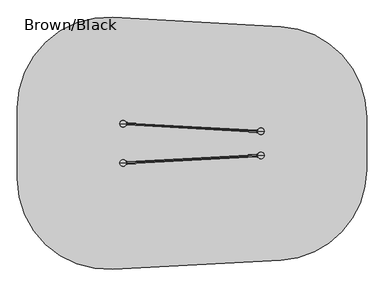
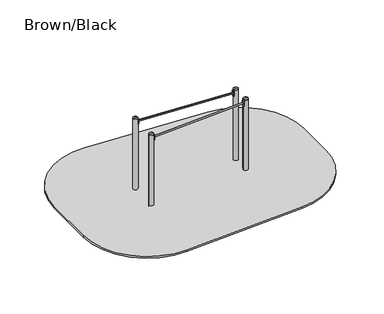
"""IFC4 building model written with IfcOpenShell, lengths in millimetres: furniture geometry, Brown/Black."""

from ifc_helpers import new_model, si_unit, point, frame, frame_2d, origin, place, context, project, spatial, polyline, circle_curve, ellipse_curve, trimmed, segment, composite_curve, outline, extrude, source, transform, mapped, element, save
from ifc_brep_helpers import plane_surface, cylinder_surface, revolved_surface, extruded_surface, advanced_brep


def brown_black_edfa2433(model_context):
    return source(origin(), model_context, "Body", "SolidModel", [
        extrude(outline(composite_curve([segment(trimmed(circle_curve(frame_2d((1693.7224634, 297.1088305)), 1.0), [point((1694.5317711, 297.6962155))], [point((1693.4322598, 296.1518656))], False, "CARTESIAN"), True, "CONTINUOUS"), segment(polyline([(1693.4322598, 296.1518656), (1676.4479605, 301.3024251)]), True, "CONTINUOUS"), segment(trimmed(circle_curve(frame_2d((1676.7381641, 302.25939)), 1.0), [point((1676.4479605, 301.3024251))], [point((1675.7396558, 302.2047909))], False, "CARTESIAN"), True, "CONTINUOUS"), segment(polyline([(1675.7396558, 302.2047909), (1673.0861621, 350.7318826)]), True, "CONTINUOUS"), segment(trimmed(circle_curve(frame_2d((1674.0846705, 350.7864817)), 1.0), [point((1673.0861621, 350.7318826))], [point((1673.6918541, 351.7060987))], False, "CARTESIAN"), True, "CONTINUOUS"), segment(polyline([(1673.6918541, 351.7060987), (1690.0132981, 358.6778383)]), True, "CONTINUOUS"), segment(trimmed(circle_curve(frame_2d((1690.4061144, 357.7582214)), 1.0), [point((1690.0132981, 358.6778383))], [point((1691.2746426, 357.2625816))], False, "CARTESIAN"), True, "CONTINUOUS"), segment(trimmed(circle_curve(frame_2d((1739.0436912, 330.0023909)), 55.0), [point((1691.2746426, 357.2625816))], [point((1694.5317711, 297.6962155))], True, "CARTESIAN"), True, "CONTINUOUS")], self_intersect=False)), frame((0.0, 0.0, 1600.0), z_axis=(0.0, 0.0, 1.0), x_axis=(1.0, 0.0, 0.0)), (0.0, 0.0, 1.0), 120.0),
        extrude(outline(composite_curve([segment(trimmed(circle_curve(frame_2d((1690.3242462, 702.2462589)), 1.0), [point((1691.1927744, 702.7418988))], [point((1689.9314299, 701.326642))], False, "CARTESIAN"), True, "CONTINUOUS"), segment(polyline([(1689.9314299, 701.326642), (1673.6099859, 708.2983817)]), True, "CONTINUOUS"), segment(trimmed(circle_curve(frame_2d((1674.0028023, 709.2179986)), 1.0), [point((1673.6099859, 708.2983817))], [point((1673.0042939, 709.2725977))], False, "CARTESIAN"), True, "CONTINUOUS"), segment(polyline([(1673.0042939, 709.2725977), (1675.6577875, 757.7996894)]), True, "CONTINUOUS"), segment(trimmed(circle_curve(frame_2d((1676.6562959, 757.7450903)), 1.0), [point((1675.6577875, 757.7996894))], [point((1676.3660923, 758.7020552))], False, "CARTESIAN"), True, "CONTINUOUS"), segment(polyline([(1676.3660923, 758.7020552), (1693.3503916, 763.8526147)]), True, "CONTINUOUS"), segment(trimmed(circle_curve(frame_2d((1693.6405952, 762.8956498)), 1.0), [point((1693.3503916, 763.8526147))], [point((1694.4499029, 762.3082648))], False, "CARTESIAN"), True, "CONTINUOUS"), segment(trimmed(circle_curve(frame_2d((1738.961823, 730.0020894)), 55.0), [point((1694.4499029, 762.3082648))], [point((1691.1927744, 702.7418988))], True, "CARTESIAN"), True, "CONTINUOUS")], self_intersect=False)), frame((0.0, 0.0, 1600.0), z_axis=(0.0, 0.0, 1.0), x_axis=(1.0, 0.0, 0.0)), (0.0, 0.0, 1.0), 120.0),
        extrude(outline(composite_curve([segment(trimmed(circle_curve(frame_2d((-501.7205511, 237.891274)), 1.0), [point((-502.5298588, 237.303889))], [point((-501.4303475, 238.848239))], False, "CARTESIAN"), True, "CONTINUOUS"), segment(polyline([(-501.4303475, 238.848239), (-484.4460482, 233.6976795)]), True, "CONTINUOUS"), segment(trimmed(circle_curve(frame_2d((-484.7362518, 232.7407145)), 1.0), [point((-484.4460482, 233.6976795))], [point((-483.7377434, 232.7953136))], False, "CARTESIAN"), True, "CONTINUOUS"), segment(polyline([(-483.7377434, 232.7953136), (-481.0842498, 184.268222)]), True, "CONTINUOUS"), segment(trimmed(circle_curve(frame_2d((-482.0827581, 184.2136229)), 1.0), [point((-481.0842498, 184.268222))], [point((-481.6899418, 183.2940059))], False, "CARTESIAN"), True, "CONTINUOUS"), segment(polyline([(-481.6899418, 183.2940059), (-498.0113858, 176.3222662)]), True, "CONTINUOUS"), segment(trimmed(circle_curve(frame_2d((-498.4042021, 177.2418832)), 1.0), [point((-498.0113858, 176.3222662))], [point((-499.2727303, 177.737523))], False, "CARTESIAN"), True, "CONTINUOUS"), segment(trimmed(circle_curve(frame_2d((-547.0417789, 204.9977136)), 55.0), [point((-499.2727303, 177.737523))], [point((-502.5298588, 237.303889))], True, "CARTESIAN"), True, "CONTINUOUS")], self_intersect=False)), frame((0.0, 0.0, 1595.0), z_axis=(0.0, 0.0, 1.0), x_axis=(1.0, 0.0, 0.0)), (0.0, 0.0, 1.0), 120.0),
        extrude(outline(composite_curve([segment(trimmed(circle_curve(frame_2d((-498.3701462, 882.7562509)), 1.0), [point((-499.2386744, 882.2606111))], [point((-497.9773299, 883.6758679))], False, "CARTESIAN"), True, "CONTINUOUS"), segment(polyline([(-497.9773299, 883.6758679), (-481.6558859, 876.7041282)]), True, "CONTINUOUS"), segment(trimmed(circle_curve(frame_2d((-482.0487022, 875.7845112)), 1.0), [point((-481.6558859, 876.7041282))], [point((-481.0501939, 875.7299121))], False, "CARTESIAN"), True, "CONTINUOUS"), segment(polyline([(-481.0501939, 875.7299121), (-483.7036875, 827.2028205)]), True, "CONTINUOUS"), segment(trimmed(circle_curve(frame_2d((-484.7021959, 827.2574196)), 1.0), [point((-483.7036875, 827.2028205))], [point((-484.4119923, 826.3004546))], False, "CARTESIAN"), True, "CONTINUOUS"), segment(polyline([(-484.4119923, 826.3004546), (-501.3962916, 821.1498951)]), True, "CONTINUOUS"), segment(trimmed(circle_curve(frame_2d((-501.6864952, 822.1068601)), 1.0), [point((-501.3962916, 821.1498951))], [point((-502.4958029, 822.6942451))], False, "CARTESIAN"), True, "CONTINUOUS"), segment(trimmed(circle_curve(frame_2d((-547.007723, 855.0004204)), 55.0), [point((-502.4958029, 822.6942451))], [point((-499.2386744, 882.2606111))], True, "CARTESIAN"), True, "CONTINUOUS")], self_intersect=False)), frame((0.0, 0.0, 1595.0), z_axis=(0.0, 0.0, 1.0), x_axis=(1.0, 0.0, 0.0)), (0.0, 0.0, 1.0), 120.0),
        extrude(outline(composite_curve([segment(trimmed(circle_curve(frame_2d((1769.3699948, 682.9902489)), 1.0), [point((1768.8276734, 683.83042))], [point((1770.3096874, 682.6482288))], False, "CARTESIAN"), True, "CONTINUOUS"), segment(polyline([(1770.3096874, 682.6482288), (1764.2394832, 665.9704799)]), True, "CONTINUOUS"), segment(trimmed(circle_curve(frame_2d((1763.2997906, 666.3125)), 1.0), [point((1764.2394832, 665.9704799))], [point((1763.2997906, 665.3125))], False, "CARTESIAN"), True, "CONTINUOUS"), segment(polyline([(1763.2997906, 665.3125), (1714.7002057, 665.3125)]), True, "CONTINUOUS"), segment(trimmed(circle_curve(frame_2d((1714.7002057, 666.3125)), 1.0), [point((1714.7002057, 665.3125))], [point((1713.7605131, 665.9704799))], False, "CARTESIAN"), True, "CONTINUOUS"), segment(polyline([(1713.7605131, 665.9704799), (1707.6903089, 682.6482288)]), True, "CONTINUOUS"), segment(trimmed(circle_curve(frame_2d((1708.6300015, 682.9902489)), 1.0), [point((1707.6903089, 682.6482288))], [point((1709.1723229, 683.83042))], False, "CARTESIAN"), True, "CONTINUOUS"), segment(trimmed(circle_curve(frame_2d((1738.9999981, 730.0398324)), 55.0), [point((1709.1723229, 683.83042))], [point((1768.8276734, 683.83042))], True, "CARTESIAN"), True, "CONTINUOUS")], self_intersect=False)), frame((0.0, 0.0, -335.0), z_axis=(0.0, 0.0, 1.0), x_axis=(1.0, 0.0, 0.0)), (0.0, 0.0, 1.0), 120.0),
        extrude(outline(composite_curve([segment(trimmed(circle_curve(frame_2d((1708.6300052, 377.0683449)), 1.0), [point((1709.1723266, 376.2281737))], [point((1707.6903126, 377.410365))], False, "CARTESIAN"), True, "CONTINUOUS"), segment(polyline([(1707.6903126, 377.410365), (1713.7605168, 394.0881139)]), True, "CONTINUOUS"), segment(trimmed(circle_curve(frame_2d((1714.7002094, 393.7460937)), 1.0), [point((1713.7605168, 394.0881139))], [point((1714.7002094, 394.7460937))], False, "CARTESIAN"), True, "CONTINUOUS"), segment(polyline([(1714.7002094, 394.7460937), (1763.2997943, 394.7460937)]), True, "CONTINUOUS"), segment(trimmed(circle_curve(frame_2d((1763.2997943, 393.7460937)), 1.0), [point((1763.2997943, 394.7460937))], [point((1764.2394869, 394.0881139))], False, "CARTESIAN"), True, "CONTINUOUS"), segment(polyline([(1764.2394869, 394.0881139), (1770.3096911, 377.410365)]), True, "CONTINUOUS"), segment(trimmed(circle_curve(frame_2d((1769.3699985, 377.0683449)), 1.0), [point((1770.3096911, 377.410365))], [point((1768.8276771, 376.2281737))], False, "CARTESIAN"), True, "CONTINUOUS"), segment(trimmed(circle_curve(frame_2d((1739.0000019, 330.0187614)), 55.0), [point((1768.8276771, 376.2281737))], [point((1709.1723266, 376.2281737))], True, "CARTESIAN"), True, "CONTINUOUS")], self_intersect=False)), frame((0.0, 0.0, -335.0), z_axis=(0.0, 0.0, 1.0), x_axis=(1.0, 0.0, 0.0)), (0.0, 0.0, 1.0), 120.0),
        extrude(outline(composite_curve([segment(trimmed(circle_curve(frame_2d((-516.6300052, 807.9902489)), 1.0), [point((-517.1723266, 808.83042))], [point((-515.6903126, 807.6482288))], False, "CARTESIAN"), True, "CONTINUOUS"), segment(polyline([(-515.6903126, 807.6482288), (-521.7605168, 790.9704799)]), True, "CONTINUOUS"), segment(trimmed(circle_curve(frame_2d((-522.7002094, 791.3125)), 1.0), [point((-521.7605168, 790.9704799))], [point((-522.7002094, 790.3125))], False, "CARTESIAN"), True, "CONTINUOUS"), segment(polyline([(-522.7002094, 790.3125), (-571.2997943, 790.3125)]), True, "CONTINUOUS"), segment(trimmed(circle_curve(frame_2d((-571.2997943, 791.3125)), 1.0), [point((-571.2997943, 790.3125))], [point((-572.2394869, 790.9704799))], False, "CARTESIAN"), True, "CONTINUOUS"), segment(polyline([(-572.2394869, 790.9704799), (-578.3096911, 807.6482288)]), True, "CONTINUOUS"), segment(trimmed(circle_curve(frame_2d((-577.3699985, 807.9902489)), 1.0), [point((-578.3096911, 807.6482288))], [point((-576.8276771, 808.83042))], False, "CARTESIAN"), True, "CONTINUOUS"), segment(trimmed(circle_curve(frame_2d((-547.0000019, 855.0398324)), 55.0), [point((-576.8276771, 808.83042))], [point((-517.1723266, 808.83042))], True, "CARTESIAN"), True, "CONTINUOUS")], self_intersect=False)), frame((0.0, 0.0, -335.0), z_axis=(0.0, 0.0, 1.0), x_axis=(1.0, 0.0, 0.0)), (0.0, 0.0, 1.0), 120.0),
        extrude(outline(composite_curve([segment(trimmed(circle_curve(frame_2d((-577.3699948, 252.0740781)), 1.0), [point((-576.8276734, 251.233907))], [point((-578.3096874, 252.4160982))], False, "CARTESIAN"), True, "CONTINUOUS"), segment(polyline([(-578.3096874, 252.4160982), (-572.2394832, 269.0938471)]), True, "CONTINUOUS"), segment(trimmed(circle_curve(frame_2d((-571.2997906, 268.751827)), 1.0), [point((-572.2394832, 269.0938471))], [point((-571.2997906, 269.751827))], False, "CARTESIAN"), True, "CONTINUOUS"), segment(polyline([(-571.2997906, 269.751827), (-522.7002057, 269.751827)]), True, "CONTINUOUS"), segment(trimmed(circle_curve(frame_2d((-522.7002057, 268.751827)), 1.0), [point((-522.7002057, 269.751827))], [point((-521.7605131, 269.0938471))], False, "CARTESIAN"), True, "CONTINUOUS"), segment(polyline([(-521.7605131, 269.0938471), (-515.6903089, 252.4160982)]), True, "CONTINUOUS"), segment(trimmed(circle_curve(frame_2d((-516.6300015, 252.0740781)), 1.0), [point((-515.6903089, 252.4160982))], [point((-517.1723229, 251.233907))], False, "CARTESIAN"), True, "CONTINUOUS"), segment(trimmed(circle_curve(frame_2d((-546.9999981, 205.0244946)), 55.0), [point((-517.1723229, 251.233907))], [point((-576.8276734, 251.233907))], True, "CARTESIAN"), True, "CONTINUOUS")], self_intersect=False)), frame((0.0, 0.0, -335.0), z_axis=(0.0, 0.0, 1.0), x_axis=(1.0, 0.0, 0.0)), (0.0, 0.0, 1.0), 120.0),
        advanced_brep(
        [(1794.0, 730.0, 1750.0), (1684.0, 730.0, 1750.0), (1739.0, 730.0, 1762.0246565), (1739.0, 730.0, 1750.0)],
        [
            (0, 1, circle_curve(frame((1739.0, 730.0, 1750.0), z_axis=(0.0, 0.0, 1.0), x_axis=(-1.0, 0.0, 0.0)), 55.0)),
            (1, 2, circle_curve(frame((1734.4549856, 730.0, 1651.0177111), z_axis=(0.0, 1.0, 0.0), x_axis=(-1.0, 0.0, 0.0)), 111.0999509)),
            (2, 0, circle_curve(frame((1743.5450144, 730.0, 1651.0177111), z_axis=(0.0, 1.0, 0.0), x_axis=(1.0, 0.0, 0.0)), 111.0999509)),
            (1, 0, circle_curve(frame((1739.0, 730.0, 1750.0), z_axis=(0.0, 0.0, 1.0), x_axis=(-1.0, 0.0, 0.0)), 55.0)),
            (3, 1),
            (0, 3),
        ],
        [
            revolved_surface(trimmed(ellipse_curve(frame((1734.4549856, 730.0, 1651.0177111), z_axis=(0.0, -1.0, 0.0), x_axis=(-1.0, 0.0, 0.0)), 111.0999509, 111.0999509), [point((1739.0, 730.0, 1762.0246565))], [point((1684.0, 730.0, 1750.0))], True, "CARTESIAN"), (1739.0, 730.0, 1369.0), (0.0, 0.0, -1.0)),
            plane_surface(frame((1739.0, 730.0, 1750.0), z_axis=(0.0, 0.0, -1.0), x_axis=(-1.0, 0.0, 0.0))),
        ],
        [
            (0, [[1, 2, 3]]),
            (0, [[4, -3, -2]]),
            (1, [[5, -1, 6]]),
            (1, [[-6, -4, -5]]),
        ],
    ),
        advanced_brep(
        [(-534.5, 927.4599432, -225.0), (-547.0, 927.4599432, -225.0), (-559.5, 927.4599432, -225.0), (-619.5, 867.4599432, -225.0), (-619.5, 842.4599432, -225.0), (-559.5, 782.4599432, -225.0), (-534.5, 782.4599432, -225.0), (-474.5, 842.4599432, -225.0), (-474.5, 867.4599432, -225.0), (-457.0, 1005.0, -460.0), (-547.0, 1005.0, -460.0), (-637.0, 1005.0, -460.0), (-697.0, 945.0, -460.0), (-697.0, 765.0, -460.0), (-637.0, 705.0, -460.0), (-457.0, 705.0, -460.0), (-397.0, 765.0, -460.0), (-397.0, 945.0, -460.0), (-457.0, 1005.0, -600.0), (-397.0, 945.0, -600.0), (-397.0, 765.0, -600.0), (-457.0, 705.0, -600.0), (-637.0, 705.0, -600.0), (-697.0, 765.0, -600.0), (-697.0, 945.0, -600.0), (-637.0, 1005.0, -600.0), (-547.0, 1005.0, -600.0)],
        [
            (0, 1),
            (1, 2),
            (2, 3, circle_curve(frame((-559.5, 867.4599432, -225.0), z_axis=(0.0, 0.0, 1.0), x_axis=(1.0, 0.0, 0.0)), 60.0)),
            (3, 4),
            (4, 5, circle_curve(frame((-559.5, 842.4599432, -225.0), z_axis=(0.0, 0.0, 1.0), x_axis=(1.0, 0.0, 0.0)), 60.0)),
            (5, 6),
            (6, 7, circle_curve(frame((-534.5, 842.4599432, -225.0), z_axis=(0.0, 0.0, 1.0), x_axis=(1.0, 0.0, 0.0)), 60.0)),
            (7, 8),
            (8, 0, circle_curve(frame((-534.5, 867.4599432, -225.0), z_axis=(0.0, 0.0, 1.0), x_axis=(1.0, 0.0, 0.0)), 60.0)),
            (0, 9),
            (9, 10),
            (10, 1),
            (10, 11),
            (11, 2),
            (11, 12, circle_curve(frame((-637.0, 945.0, -460.0), z_axis=(0.0, 0.0, 1.0), x_axis=(1.0, 0.0, 0.0)), 60.0)),
            (12, 3),
            (12, 13),
            (13, 4),
            (13, 14, circle_curve(frame((-637.0, 765.0, -460.0), z_axis=(0.0, 0.0, 1.0), x_axis=(1.0, 0.0, 0.0)), 60.0)),
            (14, 5),
            (14, 15),
            (15, 6),
            (15, 16, circle_curve(frame((-457.0, 765.0, -460.0), z_axis=(0.0, 0.0, 1.0), x_axis=(1.0, 0.0, 0.0)), 60.0)),
            (16, 7),
            (16, 17),
            (17, 8),
            (17, 9, circle_curve(frame((-457.0, 945.0, -460.0), z_axis=(0.0, 0.0, 1.0), x_axis=(1.0, 0.0, 0.0)), 60.0)),
            (18, 19, circle_curve(frame((-457.0, 945.0, -600.0), z_axis=(0.0, 0.0, -1.0), x_axis=(1.0, 0.0, 0.0)), 60.0)),
            (19, 20),
            (20, 21, circle_curve(frame((-457.0, 765.0, -600.0), z_axis=(0.0, 0.0, -1.0), x_axis=(1.0, 0.0, 0.0)), 60.0)),
            (21, 22),
            (22, 23, circle_curve(frame((-637.0, 765.0, -600.0), z_axis=(0.0, 0.0, -1.0), x_axis=(1.0, 0.0, 0.0)), 60.0)),
            (23, 24),
            (24, 25, circle_curve(frame((-637.0, 945.0, -600.0), z_axis=(0.0, 0.0, -1.0), x_axis=(1.0, 0.0, 0.0)), 60.0)),
            (25, 26),
            (26, 18),
            (26, 10),
            (9, 18),
            (25, 11),
            (23, 13),
            (12, 24),
            (21, 15),
            (14, 22),
            (19, 17),
            (16, 20),
        ],
        [
            plane_surface(frame((-547.0, 863.0154988, -225.0), z_axis=(0.0, 0.0, 1.0), x_axis=(-1.0, 0.0, 0.0))),
            plane_surface(frame((-540.75, 927.4599432, -225.0), z_axis=(0.0, 0.9496406059136844, 0.3133412191204512), x_axis=(1.0, 0.0, 0.0))),
            plane_surface(frame((-553.25, 927.4599432, -225.0), z_axis=(0.0, 0.9496406059136843, 0.3133412191204512), x_axis=(1.0, 0.0, 0.0))),
            extruded_surface(trimmed(circle_curve(frame((-559.5, 867.4599432, -225.0), z_axis=(0.0, 0.0, -1.0), x_axis=(1.0, 0.0, 0.0)), 60.0), [point((-619.5, 867.4599432, -225.0))], [point((-559.5, 927.4599432, -225.0))], True, "CARTESIAN"), (-77.5, 77.5400568, -235.0), 259.3139225119763),
            plane_surface(frame((-619.5, 854.9599432, -225.0), z_axis=(-0.9496887635303409, 0.0, 0.31319523052596476), x_axis=(0.0, 1.0, 0.0))),
            extruded_surface(trimmed(circle_curve(frame((-559.5, 842.4599432, -225.0), z_axis=(0.0, 0.0, -1.0), x_axis=(1.0, 0.0, 0.0)), 60.0), [point((-559.5, 782.4599432, -225.0))], [point((-619.5, 842.4599432, -225.0))], True, "CARTESIAN"), (-77.5, -77.4599432, -235.0), 259.2899782107809),
            plane_surface(frame((-547.0, 782.4599432, -225.0), z_axis=(0.0, -0.9497369035840961, 0.3130492197250991), x_axis=(-1.0, 0.0, 0.0))),
            extruded_surface(trimmed(circle_curve(frame((-534.5, 842.4599432, -225.0), z_axis=(0.0, 0.0, -1.0), x_axis=(1.0, 0.0, 0.0)), 60.0), [point((-474.5, 842.4599432, -225.0))], [point((-534.5, 782.4599432, -225.0))], True, "CARTESIAN"), (77.5, -77.4599432, -235.0), 259.2899782107809),
            plane_surface(frame((-474.5, 854.9599432, -225.0), z_axis=(0.9496887635303416, 0.0, 0.3131952305259627), x_axis=(0.0, -1.0, 0.0))),
            extruded_surface(trimmed(circle_curve(frame((-534.5, 867.4599432, -225.0), z_axis=(0.0, 0.0, -1.0), x_axis=(1.0, 0.0, 0.0)), 60.0), [point((-534.5, 927.4599432, -225.0))], [point((-474.5, 867.4599432, -225.0))], True, "CARTESIAN"), (77.5, 77.5400568, -235.0), 259.3139225119763),
            plane_surface(frame((-547.0, 1005.0, -600.0), z_axis=(0.0, 0.0, -1.0), x_axis=(1.0, 0.0, 0.0))),
            plane_surface(frame((-457.0, 1005.0, -460.0), z_axis=(0.0, 1.0, 0.0), x_axis=(0.0, 0.0, -1.0))),
            plane_surface(frame((-547.0, 1005.0, -460.0), z_axis=(0.0, 1.0, 0.0), x_axis=(0.0, 0.0, -1.0))),
            plane_surface(frame((-697.0, 945.0, -460.0), z_axis=(-1.0, 0.0, 0.0), x_axis=(0.0, 0.0, -1.0))),
            plane_surface(frame((-637.0, 705.0, -460.0), z_axis=(0.0, -1.0, 0.0), x_axis=(0.0, 0.0, -1.0))),
            plane_surface(frame((-397.0, 765.0, -460.0), z_axis=(1.0, 0.0, 0.0), x_axis=(0.0, 0.0, -1.0))),
            cylinder_surface(frame((-637.0, 945.0, -600.0), z_axis=(0.0, 0.0, 1.0), x_axis=(1.0, 0.0, 0.0)), 60.0),
            cylinder_surface(frame((-637.0, 765.0, -600.0), z_axis=(0.0, 0.0, 1.0), x_axis=(1.0, 0.0, 0.0)), 60.0),
            cylinder_surface(frame((-457.0, 765.0, -600.0), z_axis=(0.0, 0.0, 1.0), x_axis=(1.0, 0.0, 0.0)), 60.0),
            cylinder_surface(frame((-457.0, 945.0, -600.0), z_axis=(0.0, 0.0, 1.0), x_axis=(1.0, 0.0, 0.0)), 60.0),
        ],
        [
            (0, [[1, 2, 3, 4, 5, 6, 7, 8, 9]]),
            (1, [[-1, 10, 11, 12]]),
            (2, [[-2, -12, 13, 14]]),
            (3, [[-3, -14, 15, 16]]),
            (4, [[-4, -16, 17, 18]]),
            (5, [[-5, -18, 19, 20]]),
            (6, [[-6, -20, 21, 22]]),
            (7, [[-7, -22, 23, 24]]),
            (8, [[-8, -24, 25, 26]]),
            (9, [[-9, -26, 27, -10]]),
            (10, [[28, 29, 30, 31, 32, 33, 34, 35, 36]]),
            (11, [[-36, 37, -11, 38]]),
            (12, [[-35, 39, -13, -37]]),
            (13, [[-33, 40, -17, 41]]),
            (14, [[-31, 42, -21, 43]]),
            (15, [[-29, 44, -25, 45]]),
            (16, [[-34, -41, -15, -39]]),
            (17, [[-32, -43, -19, -40]]),
            (18, [[-30, -45, -23, -42]]),
            (19, [[-28, -38, -27, -44]]),
        ],
    ),
        extrude(outline(composite_curve([segment(trimmed(circle_curve(frame_2d((-547.0, 855.0)), 55.0), [point((-602.0, 855.0))], [point((-492.0, 855.0))], False, "CARTESIAN"), True, "CONTINUOUS"), segment(trimmed(circle_curve(frame_2d((-547.0, 855.0)), 55.0), [point((-492.0, 855.0))], [point((-602.0, 855.0))], False, "CARTESIAN"), True, "CONTINUOUS")], self_intersect=False)), frame((0.0, 0.0, -600.0), z_axis=(0.0, 0.0, 1.0), x_axis=(1.0, 0.0, 0.0)), (0.0, 0.0, 1.0), 500.0),
        advanced_brep(
        [(1751.5, 802.4599432, -225.0), (1739.0, 802.4599432, -225.0), (1726.5, 802.4599432, -225.0), (1666.5, 742.4599432, -225.0), (1666.5, 717.4599432, -225.0), (1726.5, 657.4599432, -225.0), (1751.5, 657.4599432, -225.0), (1811.5, 717.4599432, -225.0), (1811.5, 742.4599432, -225.0), (1829.0, 880.0, -460.0), (1739.0, 880.0, -460.0), (1649.0, 880.0, -460.0), (1589.0, 820.0, -460.0), (1589.0, 640.0, -460.0), (1649.0, 580.0, -460.0), (1829.0, 580.0, -460.0), (1889.0, 640.0, -460.0), (1889.0, 820.0, -460.0), (1829.0, 880.0, -600.0), (1889.0, 820.0, -600.0), (1889.0, 640.0, -600.0), (1829.0, 580.0, -600.0), (1649.0, 580.0, -600.0), (1589.0, 640.0, -600.0), (1589.0, 820.0, -600.0), (1649.0, 880.0, -600.0), (1739.0, 880.0, -600.0)],
        [
            (0, 1),
            (1, 2),
            (2, 3, circle_curve(frame((1726.5, 742.4599432, -225.0), z_axis=(0.0, 0.0, 1.0), x_axis=(1.0, 0.0, 0.0)), 60.0)),
            (3, 4),
            (4, 5, circle_curve(frame((1726.5, 717.4599432, -225.0), z_axis=(0.0, 0.0, 1.0), x_axis=(1.0, 0.0, 0.0)), 60.0)),
            (5, 6),
            (6, 7, circle_curve(frame((1751.5, 717.4599432, -225.0), z_axis=(0.0, 0.0, 1.0), x_axis=(1.0, 0.0, 0.0)), 60.0)),
            (7, 8),
            (8, 0, circle_curve(frame((1751.5, 742.4599432, -225.0), z_axis=(0.0, 0.0, 1.0), x_axis=(1.0, 0.0, 0.0)), 60.0)),
            (0, 9),
            (9, 10),
            (10, 1),
            (10, 11),
            (11, 2),
            (11, 12, circle_curve(frame((1649.0, 820.0, -460.0), z_axis=(0.0, 0.0, 1.0), x_axis=(1.0, 0.0, 0.0)), 60.0)),
            (12, 3),
            (12, 13),
            (13, 4),
            (13, 14, circle_curve(frame((1649.0, 640.0, -460.0), z_axis=(0.0, 0.0, 1.0), x_axis=(1.0, 0.0, 0.0)), 60.0)),
            (14, 5),
            (14, 15),
            (15, 6),
            (15, 16, circle_curve(frame((1829.0, 640.0, -460.0), z_axis=(0.0, 0.0, 1.0), x_axis=(1.0, 0.0, 0.0)), 60.0)),
            (16, 7),
            (16, 17),
            (17, 8),
            (17, 9, circle_curve(frame((1829.0, 820.0, -460.0), z_axis=(0.0, 0.0, 1.0), x_axis=(1.0, 0.0, 0.0)), 60.0)),
            (18, 19, circle_curve(frame((1829.0, 820.0, -600.0), z_axis=(0.0, 0.0, -1.0), x_axis=(1.0, 0.0, 0.0)), 60.0)),
            (19, 20),
            (20, 21, circle_curve(frame((1829.0, 640.0, -600.0), z_axis=(0.0, 0.0, -1.0), x_axis=(1.0, 0.0, 0.0)), 60.0)),
            (21, 22),
            (22, 23, circle_curve(frame((1649.0, 640.0, -600.0), z_axis=(0.0, 0.0, -1.0), x_axis=(1.0, 0.0, 0.0)), 60.0)),
            (23, 24),
            (24, 25, circle_curve(frame((1649.0, 820.0, -600.0), z_axis=(0.0, 0.0, -1.0), x_axis=(1.0, 0.0, 0.0)), 60.0)),
            (25, 26),
            (26, 18),
            (26, 10),
            (9, 18),
            (25, 11),
            (23, 13),
            (12, 24),
            (21, 15),
            (14, 22),
            (19, 17),
            (16, 20),
        ],
        [
            plane_surface(frame((1739.0, 738.0154988, -225.0), z_axis=(0.0, 0.0, 1.0), x_axis=(-1.0, 0.0, 0.0))),
            plane_surface(frame((1745.25, 802.4599432, -225.0), z_axis=(0.0, 0.9496406059136844, 0.3133412191204512), x_axis=(1.0, 0.0, 0.0))),
            plane_surface(frame((1732.75, 802.4599432, -225.0), z_axis=(0.0, 0.9496406059136843, 0.3133412191204512), x_axis=(1.0, 0.0, 0.0))),
            extruded_surface(trimmed(circle_curve(frame((1726.5, 742.4599432, -225.0), z_axis=(0.0, 0.0, -1.0), x_axis=(1.0, 0.0, 0.0)), 60.0), [point((1666.5, 742.4599432, -225.0))], [point((1726.5, 802.4599432, -225.0))], True, "CARTESIAN"), (-77.5, 77.5400568, -235.0), 259.3139225119763),
            plane_surface(frame((1666.5, 729.9599432, -225.0), z_axis=(-0.9496887635303409, 0.0, 0.31319523052596476), x_axis=(0.0, 1.0, 0.0))),
            extruded_surface(trimmed(circle_curve(frame((1726.5, 717.4599432, -225.0), z_axis=(0.0, 0.0, -1.0), x_axis=(1.0, 0.0, 0.0)), 60.0), [point((1726.5, 657.4599432, -225.0))], [point((1666.5, 717.4599432, -225.0))], True, "CARTESIAN"), (-77.5, -77.4599432, -235.0), 259.2899782107809),
            plane_surface(frame((1739.0, 657.4599432, -225.0), z_axis=(0.0, -0.9497369035840961, 0.3130492197250991), x_axis=(-1.0, 0.0, 0.0))),
            extruded_surface(trimmed(circle_curve(frame((1751.5, 717.4599432, -225.0), z_axis=(0.0, 0.0, -1.0), x_axis=(1.0, 0.0, 0.0)), 60.0), [point((1811.5, 717.4599432, -225.0))], [point((1751.5, 657.4599432, -225.0))], True, "CARTESIAN"), (77.5, -77.4599432, -235.0), 259.2899782107809),
            plane_surface(frame((1811.5, 729.9599432, -225.0), z_axis=(0.9496887635303416, 0.0, 0.3131952305259627), x_axis=(0.0, -1.0, 0.0))),
            extruded_surface(trimmed(circle_curve(frame((1751.5, 742.4599432, -225.0), z_axis=(0.0, 0.0, -1.0), x_axis=(1.0, 0.0, 0.0)), 60.0), [point((1751.5, 802.4599432, -225.0))], [point((1811.5, 742.4599432, -225.0))], True, "CARTESIAN"), (77.5, 77.5400568, -235.0), 259.3139225119763),
            plane_surface(frame((1739.0, 880.0, -600.0), z_axis=(0.0, 0.0, -1.0), x_axis=(1.0, 0.0, 0.0))),
            plane_surface(frame((1829.0, 880.0, -460.0), z_axis=(0.0, 1.0, 0.0), x_axis=(0.0, 0.0, -1.0))),
            plane_surface(frame((1739.0, 880.0, -460.0), z_axis=(0.0, 1.0, 0.0), x_axis=(0.0, 0.0, -1.0))),
            plane_surface(frame((1589.0, 820.0, -460.0), z_axis=(-1.0, 0.0, 0.0), x_axis=(0.0, 0.0, -1.0))),
            plane_surface(frame((1649.0, 580.0, -460.0), z_axis=(0.0, -1.0, 0.0), x_axis=(0.0, 0.0, -1.0))),
            plane_surface(frame((1889.0, 640.0, -460.0), z_axis=(1.0, 0.0, 0.0), x_axis=(0.0, 0.0, -1.0))),
            cylinder_surface(frame((1649.0, 820.0, -600.0), z_axis=(0.0, 0.0, 1.0), x_axis=(1.0, 0.0, 0.0)), 60.0),
            cylinder_surface(frame((1649.0, 640.0, -600.0), z_axis=(0.0, 0.0, 1.0), x_axis=(1.0, 0.0, 0.0)), 60.0),
            cylinder_surface(frame((1829.0, 640.0, -600.0), z_axis=(0.0, 0.0, 1.0), x_axis=(1.0, 0.0, 0.0)), 60.0),
            cylinder_surface(frame((1829.0, 820.0, -600.0), z_axis=(0.0, 0.0, 1.0), x_axis=(1.0, 0.0, 0.0)), 60.0),
        ],
        [
            (0, [[1, 2, 3, 4, 5, 6, 7, 8, 9]]),
            (1, [[-1, 10, 11, 12]]),
            (2, [[-2, -12, 13, 14]]),
            (3, [[-3, -14, 15, 16]]),
            (4, [[-4, -16, 17, 18]]),
            (5, [[-5, -18, 19, 20]]),
            (6, [[-6, -20, 21, 22]]),
            (7, [[-7, -22, 23, 24]]),
            (8, [[-8, -24, 25, 26]]),
            (9, [[-9, -26, 27, -10]]),
            (10, [[28, 29, 30, 31, 32, 33, 34, 35, 36]]),
            (11, [[-36, 37, -11, 38]]),
            (12, [[-35, 39, -13, -37]]),
            (13, [[-33, 40, -17, 41]]),
            (14, [[-31, 42, -21, 43]]),
            (15, [[-29, 44, -25, 45]]),
            (16, [[-34, -41, -15, -39]]),
            (17, [[-32, -43, -19, -40]]),
            (18, [[-30, -45, -23, -42]]),
            (19, [[-28, -38, -27, -44]]),
        ],
    ),
        extrude(outline(composite_curve([segment(trimmed(circle_curve(frame_2d((1739.0, 730.0)), 55.0), [point((1684.0, 730.0))], [point((1794.0, 730.0))], False, "CARTESIAN"), True, "CONTINUOUS"), segment(trimmed(circle_curve(frame_2d((1739.0, 730.0)), 55.0), [point((1794.0, 730.0))], [point((1684.0, 730.0))], False, "CARTESIAN"), True, "CONTINUOUS")], self_intersect=False)), frame((0.0, 0.0, -600.0), z_axis=(0.0, 0.0, 1.0), x_axis=(1.0, 0.0, 0.0)), (0.0, 0.0, 1.0), 500.0),
        advanced_brep(
        [(-492.0, 855.0, 1750.0), (-602.0, 855.0, 1750.0), (-547.0, 855.0, 1762.0246565), (-547.0, 855.0, 1750.0)],
        [
            (0, 1, circle_curve(frame((-547.0, 855.0, 1750.0), z_axis=(0.0, 0.0, 1.0), x_axis=(-1.0, 0.0, 0.0)), 55.0)),
            (1, 2, circle_curve(frame((-551.5450144, 855.0, 1651.0177111), z_axis=(0.0, 1.0, 0.0), x_axis=(-1.0, 0.0, 0.0)), 111.0999509)),
            (2, 0, circle_curve(frame((-542.4549856, 855.0, 1651.0177111), z_axis=(0.0, 1.0, 0.0), x_axis=(1.0, 0.0, 0.0)), 111.0999509)),
            (1, 0, circle_curve(frame((-547.0, 855.0, 1750.0), z_axis=(0.0, 0.0, 1.0), x_axis=(-1.0, 0.0, 0.0)), 55.0)),
            (3, 1),
            (0, 3),
        ],
        [
            revolved_surface(trimmed(ellipse_curve(frame((-551.5450144, 855.0, 1651.0177111), z_axis=(0.0, -1.0, 0.0), x_axis=(-1.0, 0.0, 0.0)), 111.0999509, 111.0999509), [point((-547.0, 855.0, 1762.0246565))], [point((-602.0, 855.0, 1750.0))], True, "CARTESIAN"), (-547.0, 855.0, 1369.0), (0.0, 0.0, -1.0)),
            plane_surface(frame((-547.0, 855.0, 1750.0), z_axis=(0.0, 0.0, -1.0), x_axis=(-1.0, 0.0, 0.0))),
        ],
        [
            (0, [[1, 2, 3]]),
            (0, [[4, -3, -2]]),
            (1, [[5, -1, 6]]),
            (1, [[-6, -4, -5]]),
        ],
    ),
        advanced_brep(
        [(1794.0, 330.0, 1750.0), (1684.0, 330.0, 1750.0), (1739.0, 330.0, 1762.0246565), (1739.0, 330.0, 1750.0)],
        [
            (0, 1, circle_curve(frame((1739.0, 330.0, 1750.0), z_axis=(0.0, 0.0, 1.0), x_axis=(-1.0, 0.0, 0.0)), 55.0)),
            (1, 2, circle_curve(frame((1734.4549856, 330.0, 1651.0177111), z_axis=(0.0, 1.0, 0.0), x_axis=(-1.0, 0.0, 0.0)), 111.0999509)),
            (2, 0, circle_curve(frame((1743.5450144, 330.0, 1651.0177111), z_axis=(0.0, 1.0, 0.0), x_axis=(1.0, 0.0, 0.0)), 111.0999509)),
            (1, 0, circle_curve(frame((1739.0, 330.0, 1750.0), z_axis=(0.0, 0.0, 1.0), x_axis=(-1.0, 0.0, 0.0)), 55.0)),
            (3, 1),
            (0, 3),
        ],
        [
            revolved_surface(trimmed(ellipse_curve(frame((1734.4549856, 330.0, 1651.0177111), z_axis=(0.0, -1.0, 0.0), x_axis=(-1.0, 0.0, 0.0)), 111.0999509, 111.0999509), [point((1739.0, 330.0, 1762.0246565))], [point((1684.0, 330.0, 1750.0))], True, "CARTESIAN"), (1739.0, 330.0, 1369.0), (0.0, 0.0, -1.0)),
            plane_surface(frame((1739.0, 330.0, 1750.0), z_axis=(0.0, 0.0, -1.0), x_axis=(-1.0, 0.0, 0.0))),
        ],
        [
            (0, [[1, 2, 3]]),
            (0, [[4, -3, -2]]),
            (1, [[5, -1, 6]]),
            (1, [[-6, -4, -5]]),
        ],
    ),
        advanced_brep(
        [(-492.0, 205.0, 1750.0), (-602.0, 205.0, 1750.0), (-547.0, 205.0, 1762.0246565), (-547.0, 205.0, 1750.0)],
        [
            (0, 1, circle_curve(frame((-547.0, 205.0, 1750.0), z_axis=(0.0, 0.0, 1.0), x_axis=(-1.0, 0.0, 0.0)), 55.0)),
            (1, 2, circle_curve(frame((-551.5450144, 205.0, 1651.0177111), z_axis=(0.0, 1.0, 0.0), x_axis=(-1.0, 0.0, 0.0)), 111.0999509)),
            (2, 0, circle_curve(frame((-542.4549856, 205.0, 1651.0177111), z_axis=(0.0, 1.0, 0.0), x_axis=(1.0, 0.0, 0.0)), 111.0999509)),
            (1, 0, circle_curve(frame((-547.0, 205.0, 1750.0), z_axis=(0.0, 0.0, 1.0), x_axis=(-1.0, 0.0, 0.0)), 55.0)),
            (3, 1),
            (0, 3),
        ],
        [
            revolved_surface(trimmed(ellipse_curve(frame((-551.5450144, 205.0, 1651.0177111), z_axis=(0.0, -1.0, 0.0), x_axis=(-1.0, 0.0, 0.0)), 111.0999509, 111.0999509), [point((-547.0, 205.0, 1762.0246565))], [point((-602.0, 205.0, 1750.0))], True, "CARTESIAN"), (-547.0, 205.0, 1369.0), (0.0, 0.0, -1.0)),
            plane_surface(frame((-547.0, 205.0, 1750.0), z_axis=(0.0, 0.0, -1.0), x_axis=(-1.0, 0.0, 0.0))),
        ],
        [
            (0, [[1, 2, 3]]),
            (0, [[4, -3, -2]]),
            (1, [[5, -1, 6]]),
            (1, [[-6, -4, -5]]),
        ],
    ),
        advanced_brep(
        [(1751.5, 402.4599432, -225.0), (1739.0, 402.4599432, -225.0), (1726.5, 402.4599432, -225.0), (1666.5, 342.4599432, -225.0), (1666.5, 317.4599432, -225.0), (1726.5, 257.4599432, -225.0), (1751.5, 257.4599432, -225.0), (1811.5, 317.4599432, -225.0), (1811.5, 342.4599432, -225.0), (1829.0, 480.0, -460.0), (1739.0, 480.0, -460.0), (1649.0, 480.0, -460.0), (1589.0, 420.0, -460.0), (1589.0, 240.0, -460.0), (1649.0, 180.0, -460.0), (1829.0, 180.0, -460.0), (1889.0, 240.0, -460.0), (1889.0, 420.0, -460.0), (1829.0, 480.0, -600.0), (1889.0, 420.0, -600.0), (1889.0, 240.0, -600.0), (1829.0, 180.0, -600.0), (1649.0, 180.0, -600.0), (1589.0, 240.0, -600.0), (1589.0, 420.0, -600.0), (1649.0, 480.0, -600.0), (1739.0, 480.0, -600.0)],
        [
            (0, 1),
            (1, 2),
            (2, 3, circle_curve(frame((1726.5, 342.4599432, -225.0), z_axis=(0.0, 0.0, 1.0), x_axis=(1.0, 0.0, 0.0)), 60.0)),
            (3, 4),
            (4, 5, circle_curve(frame((1726.5, 317.4599432, -225.0), z_axis=(0.0, 0.0, 1.0), x_axis=(1.0, 0.0, 0.0)), 60.0)),
            (5, 6),
            (6, 7, circle_curve(frame((1751.5, 317.4599432, -225.0), z_axis=(0.0, 0.0, 1.0), x_axis=(1.0, 0.0, 0.0)), 60.0)),
            (7, 8),
            (8, 0, circle_curve(frame((1751.5, 342.4599432, -225.0), z_axis=(0.0, 0.0, 1.0), x_axis=(1.0, 0.0, 0.0)), 60.0)),
            (0, 9),
            (9, 10),
            (10, 1),
            (10, 11),
            (11, 2),
            (11, 12, circle_curve(frame((1649.0, 420.0, -460.0), z_axis=(0.0, 0.0, 1.0), x_axis=(1.0, 0.0, 0.0)), 60.0)),
            (12, 3),
            (12, 13),
            (13, 4),
            (13, 14, circle_curve(frame((1649.0, 240.0, -460.0), z_axis=(0.0, 0.0, 1.0), x_axis=(1.0, 0.0, 0.0)), 60.0)),
            (14, 5),
            (14, 15),
            (15, 6),
            (15, 16, circle_curve(frame((1829.0, 240.0, -460.0), z_axis=(0.0, 0.0, 1.0), x_axis=(1.0, 0.0, 0.0)), 60.0)),
            (16, 7),
            (16, 17),
            (17, 8),
            (17, 9, circle_curve(frame((1829.0, 420.0, -460.0), z_axis=(0.0, 0.0, 1.0), x_axis=(1.0, 0.0, 0.0)), 60.0)),
            (18, 19, circle_curve(frame((1829.0, 420.0, -600.0), z_axis=(0.0, 0.0, -1.0), x_axis=(1.0, 0.0, 0.0)), 60.0)),
            (19, 20),
            (20, 21, circle_curve(frame((1829.0, 240.0, -600.0), z_axis=(0.0, 0.0, -1.0), x_axis=(1.0, 0.0, 0.0)), 60.0)),
            (21, 22),
            (22, 23, circle_curve(frame((1649.0, 240.0, -600.0), z_axis=(0.0, 0.0, -1.0), x_axis=(1.0, 0.0, 0.0)), 60.0)),
            (23, 24),
            (24, 25, circle_curve(frame((1649.0, 420.0, -600.0), z_axis=(0.0, 0.0, -1.0), x_axis=(1.0, 0.0, 0.0)), 60.0)),
            (25, 26),
            (26, 18),
            (26, 10),
            (9, 18),
            (25, 11),
            (23, 13),
            (12, 24),
            (21, 15),
            (14, 22),
            (19, 17),
            (16, 20),
        ],
        [
            plane_surface(frame((1739.0, 338.0154988, -225.0), z_axis=(0.0, 0.0, 1.0), x_axis=(-1.0, 0.0, 0.0))),
            plane_surface(frame((1745.25, 402.4599432, -225.0), z_axis=(0.0, 0.9496406059136844, 0.3133412191204512), x_axis=(1.0, 0.0, 0.0))),
            plane_surface(frame((1732.75, 402.4599432, -225.0), z_axis=(0.0, 0.9496406059136843, 0.3133412191204512), x_axis=(1.0, 0.0, 0.0))),
            extruded_surface(trimmed(circle_curve(frame((1726.5, 342.4599432, -225.0), z_axis=(0.0, 0.0, -1.0), x_axis=(1.0, 0.0, 0.0)), 60.0), [point((1666.5, 342.4599432, -225.0))], [point((1726.5, 402.4599432, -225.0))], True, "CARTESIAN"), (-77.5, 77.5400568, -235.0), 259.3139225119763),
            plane_surface(frame((1666.5, 329.9599432, -225.0), z_axis=(-0.9496887635303409, 0.0, 0.31319523052596476), x_axis=(0.0, 1.0, 0.0))),
            extruded_surface(trimmed(circle_curve(frame((1726.5, 317.4599432, -225.0), z_axis=(0.0, 0.0, -1.0), x_axis=(1.0, 0.0, 0.0)), 60.0), [point((1726.5, 257.4599432, -225.0))], [point((1666.5, 317.4599432, -225.0))], True, "CARTESIAN"), (-77.5, -77.4599432, -235.0), 259.2899782107809),
            plane_surface(frame((1739.0, 257.4599432, -225.0), z_axis=(0.0, -0.9497369035840961, 0.3130492197250991), x_axis=(-1.0, 0.0, 0.0))),
            extruded_surface(trimmed(circle_curve(frame((1751.5, 317.4599432, -225.0), z_axis=(0.0, 0.0, -1.0), x_axis=(1.0, 0.0, 0.0)), 60.0), [point((1811.5, 317.4599432, -225.0))], [point((1751.5, 257.4599432, -225.0))], True, "CARTESIAN"), (77.5, -77.4599432, -235.0), 259.2899782107809),
            plane_surface(frame((1811.5, 329.9599432, -225.0), z_axis=(0.9496887635303416, 0.0, 0.3131952305259627), x_axis=(0.0, -1.0, 0.0))),
            extruded_surface(trimmed(circle_curve(frame((1751.5, 342.4599432, -225.0), z_axis=(0.0, 0.0, -1.0), x_axis=(1.0, 0.0, 0.0)), 60.0), [point((1751.5, 402.4599432, -225.0))], [point((1811.5, 342.4599432, -225.0))], True, "CARTESIAN"), (77.5, 77.5400568, -235.0), 259.3139225119763),
            plane_surface(frame((1739.0, 480.0, -600.0), z_axis=(0.0, 0.0, -1.0), x_axis=(1.0, 0.0, 0.0))),
            plane_surface(frame((1829.0, 480.0, -460.0), z_axis=(0.0, 1.0, 0.0), x_axis=(0.0, 0.0, -1.0))),
            plane_surface(frame((1739.0, 480.0, -460.0), z_axis=(0.0, 1.0, 0.0), x_axis=(0.0, 0.0, -1.0))),
            plane_surface(frame((1589.0, 420.0, -460.0), z_axis=(-1.0, 0.0, 0.0), x_axis=(0.0, 0.0, -1.0))),
            plane_surface(frame((1649.0, 180.0, -460.0), z_axis=(0.0, -1.0, 0.0), x_axis=(0.0, 0.0, -1.0))),
            plane_surface(frame((1889.0, 240.0, -460.0), z_axis=(1.0, 0.0, 0.0), x_axis=(0.0, 0.0, -1.0))),
            cylinder_surface(frame((1649.0, 420.0, -600.0), z_axis=(0.0, 0.0, 1.0), x_axis=(1.0, 0.0, 0.0)), 60.0),
            cylinder_surface(frame((1649.0, 240.0, -600.0), z_axis=(0.0, 0.0, 1.0), x_axis=(1.0, 0.0, 0.0)), 60.0),
            cylinder_surface(frame((1829.0, 240.0, -600.0), z_axis=(0.0, 0.0, 1.0), x_axis=(1.0, 0.0, 0.0)), 60.0),
            cylinder_surface(frame((1829.0, 420.0, -600.0), z_axis=(0.0, 0.0, 1.0), x_axis=(1.0, 0.0, 0.0)), 60.0),
        ],
        [
            (0, [[1, 2, 3, 4, 5, 6, 7, 8, 9]]),
            (1, [[-1, 10, 11, 12]]),
            (2, [[-2, -12, 13, 14]]),
            (3, [[-3, -14, 15, 16]]),
            (4, [[-4, -16, 17, 18]]),
            (5, [[-5, -18, 19, 20]]),
            (6, [[-6, -20, 21, 22]]),
            (7, [[-7, -22, 23, 24]]),
            (8, [[-8, -24, 25, 26]]),
            (9, [[-9, -26, 27, -10]]),
            (10, [[28, 29, 30, 31, 32, 33, 34, 35, 36]]),
            (11, [[-36, 37, -11, 38]]),
            (12, [[-35, 39, -13, -37]]),
            (13, [[-33, 40, -17, 41]]),
            (14, [[-31, 42, -21, 43]]),
            (15, [[-29, 44, -25, 45]]),
            (16, [[-34, -41, -15, -39]]),
            (17, [[-32, -43, -19, -40]]),
            (18, [[-30, -45, -23, -42]]),
            (19, [[-28, -38, -27, -44]]),
        ],
    ),
        extrude(outline(composite_curve([segment(trimmed(circle_curve(frame_2d((1739.0, 330.0)), 55.0), [point((1684.0, 330.0))], [point((1794.0, 330.0))], False, "CARTESIAN"), True, "CONTINUOUS"), segment(trimmed(circle_curve(frame_2d((1739.0, 330.0)), 55.0), [point((1794.0, 330.0))], [point((1684.0, 330.0))], False, "CARTESIAN"), True, "CONTINUOUS")], self_intersect=False)), frame((0.0, 0.0, -600.0), z_axis=(0.0, 0.0, 1.0), x_axis=(1.0, 0.0, 0.0)), (0.0, 0.0, 1.0), 500.0),
        advanced_brep(
        [(-534.5, 277.4599432, -225.0), (-547.0, 277.4599432, -225.0), (-559.5, 277.4599432, -225.0), (-619.5, 217.4599432, -225.0), (-619.5, 192.4599432, -225.0), (-559.5, 132.4599432, -225.0), (-534.5, 132.4599432, -225.0), (-474.5, 192.4599432, -225.0), (-474.5, 217.4599432, -225.0), (-457.0, 355.0, -460.0), (-547.0, 355.0, -460.0), (-637.0, 355.0, -460.0), (-697.0, 295.0, -460.0), (-697.0, 115.0, -460.0), (-637.0, 55.0, -460.0), (-457.0, 55.0, -460.0), (-397.0, 115.0, -460.0), (-397.0, 295.0, -460.0), (-457.0, 355.0, -600.0), (-397.0, 295.0, -600.0), (-397.0, 115.0, -600.0), (-457.0, 55.0, -600.0), (-637.0, 55.0, -600.0), (-697.0, 115.0, -600.0), (-697.0, 295.0, -600.0), (-637.0, 355.0, -600.0), (-547.0, 355.0, -600.0)],
        [
            (0, 1),
            (1, 2),
            (2, 3, circle_curve(frame((-559.5, 217.4599432, -225.0), z_axis=(0.0, 0.0, 1.0), x_axis=(1.0, 0.0, 0.0)), 60.0)),
            (3, 4),
            (4, 5, circle_curve(frame((-559.5, 192.4599432, -225.0), z_axis=(0.0, 0.0, 1.0), x_axis=(1.0, 0.0, 0.0)), 60.0)),
            (5, 6),
            (6, 7, circle_curve(frame((-534.5, 192.4599432, -225.0), z_axis=(0.0, 0.0, 1.0), x_axis=(1.0, 0.0, 0.0)), 60.0)),
            (7, 8),
            (8, 0, circle_curve(frame((-534.5, 217.4599432, -225.0), z_axis=(0.0, 0.0, 1.0), x_axis=(1.0, 0.0, 0.0)), 60.0)),
            (0, 9),
            (9, 10),
            (10, 1),
            (10, 11),
            (11, 2),
            (11, 12, circle_curve(frame((-637.0, 295.0, -460.0), z_axis=(0.0, 0.0, 1.0), x_axis=(1.0, 0.0, 0.0)), 60.0)),
            (12, 3),
            (12, 13),
            (13, 4),
            (13, 14, circle_curve(frame((-637.0, 115.0, -460.0), z_axis=(0.0, 0.0, 1.0), x_axis=(1.0, 0.0, 0.0)), 60.0)),
            (14, 5),
            (14, 15),
            (15, 6),
            (15, 16, circle_curve(frame((-457.0, 115.0, -460.0), z_axis=(0.0, 0.0, 1.0), x_axis=(1.0, 0.0, 0.0)), 60.0)),
            (16, 7),
            (16, 17),
            (17, 8),
            (17, 9, circle_curve(frame((-457.0, 295.0, -460.0), z_axis=(0.0, 0.0, 1.0), x_axis=(1.0, 0.0, 0.0)), 60.0)),
            (18, 19, circle_curve(frame((-457.0, 295.0, -600.0), z_axis=(0.0, 0.0, -1.0), x_axis=(1.0, 0.0, 0.0)), 60.0)),
            (19, 20),
            (20, 21, circle_curve(frame((-457.0, 115.0, -600.0), z_axis=(0.0, 0.0, -1.0), x_axis=(1.0, 0.0, 0.0)), 60.0)),
            (21, 22),
            (22, 23, circle_curve(frame((-637.0, 115.0, -600.0), z_axis=(0.0, 0.0, -1.0), x_axis=(1.0, 0.0, 0.0)), 60.0)),
            (23, 24),
            (24, 25, circle_curve(frame((-637.0, 295.0, -600.0), z_axis=(0.0, 0.0, -1.0), x_axis=(1.0, 0.0, 0.0)), 60.0)),
            (25, 26),
            (26, 18),
            (26, 10),
            (9, 18),
            (25, 11),
            (23, 13),
            (12, 24),
            (21, 15),
            (14, 22),
            (19, 17),
            (16, 20),
        ],
        [
            plane_surface(frame((-547.0, 213.0154988, -225.0), z_axis=(0.0, 0.0, 1.0), x_axis=(-1.0, 0.0, 0.0))),
            plane_surface(frame((-540.75, 277.4599432, -225.0), z_axis=(0.0, 0.9496406059136844, 0.3133412191204512), x_axis=(1.0, 0.0, 0.0))),
            plane_surface(frame((-553.25, 277.4599432, -225.0), z_axis=(0.0, 0.9496406059136843, 0.3133412191204512), x_axis=(1.0, 0.0, 0.0))),
            extruded_surface(trimmed(circle_curve(frame((-559.5, 217.4599432, -225.0), z_axis=(0.0, 0.0, -1.0), x_axis=(1.0, 0.0, 0.0)), 60.0), [point((-619.5, 217.4599432, -225.0))], [point((-559.5, 277.4599432, -225.0))], True, "CARTESIAN"), (-77.5, 77.5400568, -235.0), 259.3139225119763),
            plane_surface(frame((-619.5, 204.9599432, -225.0), z_axis=(-0.9496887635303409, 0.0, 0.31319523052596476), x_axis=(0.0, 1.0, 0.0))),
            extruded_surface(trimmed(circle_curve(frame((-559.5, 192.4599432, -225.0), z_axis=(0.0, 0.0, -1.0), x_axis=(1.0, 0.0, 0.0)), 60.0), [point((-559.5, 132.4599432, -225.0))], [point((-619.5, 192.4599432, -225.0))], True, "CARTESIAN"), (-77.5, -77.4599432, -235.0), 259.2899782107809),
            plane_surface(frame((-547.0, 132.4599432, -225.0), z_axis=(0.0, -0.9497369035840961, 0.3130492197250991), x_axis=(-1.0, 0.0, 0.0))),
            extruded_surface(trimmed(circle_curve(frame((-534.5, 192.4599432, -225.0), z_axis=(0.0, 0.0, -1.0), x_axis=(1.0, 0.0, 0.0)), 60.0), [point((-474.5, 192.4599432, -225.0))], [point((-534.5, 132.4599432, -225.0))], True, "CARTESIAN"), (77.5, -77.4599432, -235.0), 259.2899782107809),
            plane_surface(frame((-474.5, 204.9599432, -225.0), z_axis=(0.9496887635303416, 0.0, 0.3131952305259627), x_axis=(0.0, -1.0, 0.0))),
            extruded_surface(trimmed(circle_curve(frame((-534.5, 217.4599432, -225.0), z_axis=(0.0, 0.0, -1.0), x_axis=(1.0, 0.0, 0.0)), 60.0), [point((-534.5, 277.4599432, -225.0))], [point((-474.5, 217.4599432, -225.0))], True, "CARTESIAN"), (77.5, 77.5400568, -235.0), 259.3139225119763),
            plane_surface(frame((-547.0, 355.0, -600.0), z_axis=(0.0, 0.0, -1.0), x_axis=(1.0, 0.0, 0.0))),
            plane_surface(frame((-457.0, 355.0, -460.0), z_axis=(0.0, 1.0, 0.0), x_axis=(0.0, 0.0, -1.0))),
            plane_surface(frame((-547.0, 355.0, -460.0), z_axis=(0.0, 1.0, 0.0), x_axis=(0.0, 0.0, -1.0))),
            plane_surface(frame((-697.0, 295.0, -460.0), z_axis=(-1.0, 0.0, 0.0), x_axis=(0.0, 0.0, -1.0))),
            plane_surface(frame((-637.0, 55.0, -460.0), z_axis=(0.0, -1.0, 0.0), x_axis=(0.0, 0.0, -1.0))),
            plane_surface(frame((-397.0, 115.0, -460.0), z_axis=(1.0, 0.0, 0.0), x_axis=(0.0, 0.0, -1.0))),
            cylinder_surface(frame((-637.0, 295.0, -600.0), z_axis=(0.0, 0.0, 1.0), x_axis=(1.0, 0.0, 0.0)), 60.0),
            cylinder_surface(frame((-637.0, 115.0, -600.0), z_axis=(0.0, 0.0, 1.0), x_axis=(1.0, 0.0, 0.0)), 60.0),
            cylinder_surface(frame((-457.0, 115.0, -600.0), z_axis=(0.0, 0.0, 1.0), x_axis=(1.0, 0.0, 0.0)), 60.0),
            cylinder_surface(frame((-457.0, 295.0, -600.0), z_axis=(0.0, 0.0, 1.0), x_axis=(1.0, 0.0, 0.0)), 60.0),
        ],
        [
            (0, [[1, 2, 3, 4, 5, 6, 7, 8, 9]]),
            (1, [[-1, 10, 11, 12]]),
            (2, [[-2, -12, 13, 14]]),
            (3, [[-3, -14, 15, 16]]),
            (4, [[-4, -16, 17, 18]]),
            (5, [[-5, -18, 19, 20]]),
            (6, [[-6, -20, 21, 22]]),
            (7, [[-7, -22, 23, 24]]),
            (8, [[-8, -24, 25, 26]]),
            (9, [[-9, -26, 27, -10]]),
            (10, [[28, 29, 30, 31, 32, 33, 34, 35, 36]]),
            (11, [[-36, 37, -11, 38]]),
            (12, [[-35, 39, -13, -37]]),
            (13, [[-33, 40, -17, 41]]),
            (14, [[-31, 42, -21, 43]]),
            (15, [[-29, 44, -25, 45]]),
            (16, [[-34, -41, -15, -39]]),
            (17, [[-32, -43, -19, -40]]),
            (18, [[-30, -45, -23, -42]]),
            (19, [[-28, -38, -27, -44]]),
        ],
    ),
        extrude(outline(composite_curve([segment(trimmed(circle_curve(frame_2d((-547.0, 205.0)), 55.0), [point((-602.0, 205.0))], [point((-492.0, 205.0))], False, "CARTESIAN"), True, "CONTINUOUS"), segment(trimmed(circle_curve(frame_2d((-547.0, 205.0)), 55.0), [point((-492.0, 205.0))], [point((-602.0, 205.0))], False, "CARTESIAN"), True, "CONTINUOUS")], self_intersect=False)), frame((0.0, 0.0, -600.0), z_axis=(0.0, 0.0, 1.0), x_axis=(1.0, 0.0, 0.0)), (0.0, 0.0, 1.0), 500.0),
        extrude(outline(composite_curve([segment(trimmed(circle_curve(frame_2d((-275.0, -547.0)), 16.0), [point((-275.0, -563.0))], [point((-275.0, -531.0))], False, "CARTESIAN"), True, "CONTINUOUS"), segment(trimmed(circle_curve(frame_2d((-275.0, -547.0)), 16.0), [point((-275.0, -531.0))], [point((-275.0, -563.0))], False, "CARTESIAN"), True, "CONTINUOUS")], self_intersect=False)), frame((0.0, 269.751827, 0.0), z_axis=(0.0, 1.0, 0.0), x_axis=(0.0, 0.0, 1.0)), (0.0, 0.0, 1.0), 520.560673),
        extrude(outline(composite_curve([segment(trimmed(circle_curve(frame_2d((-275.0, 1739.0)), 16.0), [point((-275.0, 1723.0))], [point((-275.0, 1755.0))], False, "CARTESIAN"), True, "CONTINUOUS"), segment(trimmed(circle_curve(frame_2d((-275.0, 1739.0)), 16.0), [point((-275.0, 1755.0))], [point((-275.0, 1723.0))], False, "CARTESIAN"), True, "CONTINUOUS")], self_intersect=False)), frame((0.0, 394.7460937, 0.0), z_axis=(0.0, 1.0, 0.0), x_axis=(0.0, 0.0, 1.0)), (0.0, 0.0, 1.0), 270.5664062),
        extrude(outline(composite_curve([segment(trimmed(circle_curve(frame_2d((0.0, -16.0)), 16.0), [point((0.0, -32.0))], [point((0.0, 0.0))], False, "CARTESIAN"), True, "CONTINUOUS"), segment(trimmed(circle_curve(frame_2d((0.0, -16.0)), 16.0), [point((0.0, 0.0))], [point((0.0, -32.0))], False, "CARTESIAN"), True, "CONTINUOUS")], self_intersect=False)), frame((-482.4109968, 208.5317715, 1644.0), z_axis=(0.998508356592419, 0.05459910086353598, 0.0), x_axis=(0.05459910086353598, -0.998508356592419, 0.0)), (0.0, 0.0, 1.0), 2160.045924),
        extrude(outline(composite_curve([segment(trimmed(circle_curve(frame_2d((0.0, -16.0)), 16.0), [point((0.0, -32.0))], [point((0.0, 0.0))], False, "CARTESIAN"), True, "CONTINUOUS"), segment(trimmed(circle_curve(frame_2d((0.0, -16.0)), 16.0), [point((0.0, 0.0))], [point((0.0, -32.0))], False, "CARTESIAN"), True, "CONTINUOUS")], self_intersect=False)), frame((1674.3310407, 733.5361435, 1644.0), z_axis=(-0.9985083565924185, 0.05459910086354397, 0.0), x_axis=(0.05459910086354397, 0.9985083565924185, 0.0)), (0.0, 0.0, 1.0), 2159.9298263),
        extrude(outline(composite_curve([segment(trimmed(circle_curve(frame_2d((1989.0, 93.2966983)), 1500.0), [point((3489.0, 93.2966983))], [point((2070.8986513, -1404.4658366))], False, "CARTESIAN"), True, "CONTINUOUS"), segment(polyline([(2070.8986513, -1404.4658366), (-715.1013487, -1556.8061691)]), True, "CONTINUOUS"), segment(trimmed(circle_curve(frame_2d((-797.0, -59.0436342)), 1500.0), [point((-715.1013487, -1556.8061691))], [point((-2297.0, -59.0436342))], False, "CARTESIAN"), True, "CONTINUOUS"), segment(polyline([(-2297.0, -59.0436342), (-2297.0, 1119.0436342)]), True, "CONTINUOUS"), segment(trimmed(circle_curve(frame_2d((-797.0, 1119.0436342)), 1500.0), [point((-2297.0, 1119.0436342))], [point((-715.1013487, 2616.8061691))], False, "CARTESIAN"), True, "CONTINUOUS"), segment(polyline([(-715.1013487, 2616.8061691), (2070.8986513, 2464.4658366)]), True, "CONTINUOUS"), segment(trimmed(circle_curve(frame_2d((1989.0, 966.7033017)), 1500.0), [point((2070.8986513, 2464.4658366))], [point((3489.0, 966.7033017))], False, "CARTESIAN"), True, "CONTINUOUS"), segment(polyline([(3489.0, 966.7033017), (3489.0, 93.2966983)]), True, "CONTINUOUS")], self_intersect=False)), frame((0.0, 0.0, -40.0), z_axis=(0.0, 0.0, 1.0), x_axis=(1.0, 0.0, 0.0)), (0.0, 0.0, 1.0), 41.0),
        extrude(outline(composite_curve([segment(trimmed(circle_curve(frame_2d((-547.0, 205.0)), 55.0), [point((-602.0, 205.0))], [point((-492.0, 205.0))], False, "CARTESIAN"), True, "CONTINUOUS"), segment(trimmed(circle_curve(frame_2d((-547.0, 205.0)), 55.0), [point((-492.0, 205.0))], [point((-602.0, 205.0))], False, "CARTESIAN"), True, "CONTINUOUS")], self_intersect=False)), frame((0.0, 0.0, -100.0), z_axis=(0.0, 0.0, 1.0), x_axis=(1.0, 0.0, 0.0)), (0.0, 0.0, 1.0), 1850.0),
        extrude(outline(composite_curve([segment(trimmed(circle_curve(frame_2d((-547.0, 855.0)), 55.0), [point((-602.0, 855.0))], [point((-492.0, 855.0))], False, "CARTESIAN"), True, "CONTINUOUS"), segment(trimmed(circle_curve(frame_2d((-547.0, 855.0)), 55.0), [point((-492.0, 855.0))], [point((-602.0, 855.0))], False, "CARTESIAN"), True, "CONTINUOUS")], self_intersect=False)), frame((0.0, 0.0, -100.0), z_axis=(0.0, 0.0, 1.0), x_axis=(1.0, 0.0, 0.0)), (0.0, 0.0, 1.0), 1850.0),
        extrude(outline(composite_curve([segment(trimmed(circle_curve(frame_2d((1739.0, 330.0)), 55.0), [point((1684.0, 330.0))], [point((1794.0, 330.0))], False, "CARTESIAN"), True, "CONTINUOUS"), segment(trimmed(circle_curve(frame_2d((1739.0, 330.0)), 55.0), [point((1794.0, 330.0))], [point((1684.0, 330.0))], False, "CARTESIAN"), True, "CONTINUOUS")], self_intersect=False)), frame((0.0, 0.0, -100.0), z_axis=(0.0, 0.0, 1.0), x_axis=(1.0, 0.0, 0.0)), (0.0, 0.0, 1.0), 1850.0),
        extrude(outline(composite_curve([segment(trimmed(circle_curve(frame_2d((1739.0, 730.0)), 55.0), [point((1684.0, 730.0))], [point((1794.0, 730.0))], False, "CARTESIAN"), True, "CONTINUOUS"), segment(trimmed(circle_curve(frame_2d((1739.0, 730.0)), 55.0), [point((1794.0, 730.0))], [point((1684.0, 730.0))], False, "CARTESIAN"), True, "CONTINUOUS")], self_intersect=False)), frame((0.0, 0.0, -100.0), z_axis=(0.0, 0.0, 1.0), x_axis=(1.0, 0.0, 0.0)), (0.0, 0.0, 1.0), 1850.0),
    ])


if __name__ == "__main__":
    model = new_model("IFC4")
    model_context = context("Model", 3, world=origin())
    ifc_project = project(units=[si_unit("LENGTHUNIT", "METRE", prefix="MILLI")], contexts=[model_context])
    site = spatial("IfcSite", under=ifc_project)
    building = spatial("IfcBuilding", under=site)
    placement = place(None, origin())
    brown_black_shape = brown_black_edfa2433(model_context)
    element("IfcFurniture", 1, ObjectType="Brown/Black", at=placement, inside=building, context=model_context, shape_type="MappedRepresentation", body=[
        mapped(brown_black_shape, transform((0.0, 0.0, 0.0), x_axis=(1.0, 0.0, 0.0), y_axis=(0.0, 1.0, 0.0), z_axis=(0.0, 0.0, 1.0))),
    ])
    save(model, "model.ifc")
